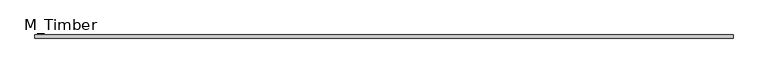
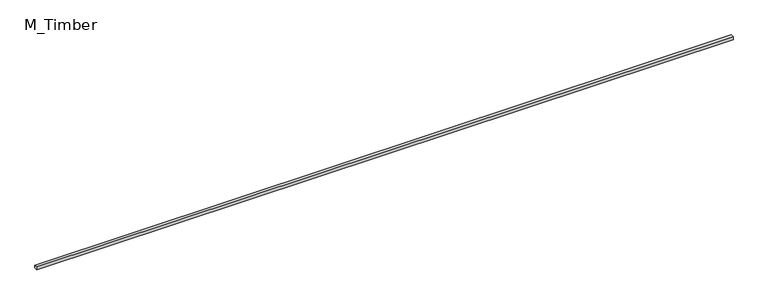
"""IFC4 building model written with IfcOpenShell, lengths in millimetres: beam geometry, M_Timber."""

from ifc_helpers import new_model, si_unit, frame, origin, place, context, project, spatial, polyline, outline, extrude, source, transform, mapped, element, save


def m_timber_3725c506(model_context):
    return source(origin(), model_context, "Body", "SweptSolid", [
        extrude(outline(polyline([(4474.0719714, 20.0), (4474.0719714, -20.0), (-4474.0719714, -20.0), (-4474.0719714, 20.0), (4474.0719714, 20.0)])), frame((0.0, 0.0, -20.0), z_axis=(0.0, 0.0, 1.0), x_axis=(1.0, 0.0, 0.0)), (0.0, 0.0, 1.0), 40.0),
    ])


if __name__ == "__main__":
    model = new_model("IFC4")
    model_context = context("Model", 3, world=origin())
    ifc_project = project(units=[si_unit("LENGTHUNIT", "METRE", prefix="MILLI")], contexts=[model_context])
    site = spatial("IfcSite", under=ifc_project)
    building = spatial("IfcBuilding", under=site)
    placement = place(None, origin())
    m_timber_shape = m_timber_3725c506(model_context)
    element("IfcBeam", 1, ObjectType="M_Timber", at=placement, inside=building, context=model_context, shape_type="MappedRepresentation", body=[
        mapped(m_timber_shape, transform((0.0, 0.0, 0.0), x_axis=(1.0, 0.0, 0.0), y_axis=(0.0, 1.0, 0.0), z_axis=(0.0, 0.0, 1.0))),
    ])
    save(model, "model.ifc")
